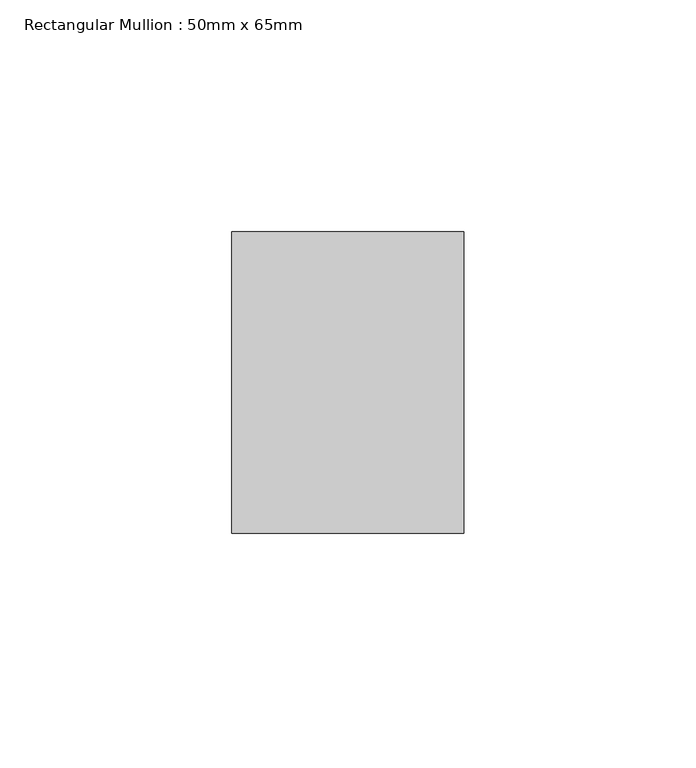
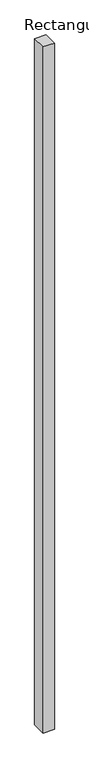
"""IFC4 building model written with IfcOpenShell, lengths in millimetres: member geometry, Rectangular Mullion : 50mm x 65mm."""

from ifc_helpers import new_model, si_unit, frame, origin, place, context, project, spatial, polyline, outline, extrude, source, transform, mapped, element, save


def rectangular_mullion_50mm_x_65mm_1898c6c2(model_context):
    return source(origin(), model_context, "Body", "SweptSolid", [
        extrude(outline(polyline([(25.0, 32.5), (25.0, -32.5), (-25.0, -32.5), (-25.0, 32.5), (25.0, 32.5)])), frame((0.0, 0.0, -3235.2668338), z_axis=(0.0, 0.0, 1.0), x_axis=(1.0, 0.0, 0.0)), (0.0, 0.0, 1.0), 3235.2668338),
    ])


if __name__ == "__main__":
    model = new_model("IFC4")
    model_context = context("Model", 3, world=origin())
    ifc_project = project(units=[si_unit("LENGTHUNIT", "METRE", prefix="MILLI")], contexts=[model_context])
    site = spatial("IfcSite", under=ifc_project)
    building = spatial("IfcBuilding", under=site)
    placement = place(None, origin())
    rectangular_mullion_50mm_x_65mm_shape = rectangular_mullion_50mm_x_65mm_1898c6c2(model_context)
    element("IfcMember", 1, ObjectType="Rectangular Mullion : 50mm x 65mm", at=placement, inside=building, context=model_context, shape_type="MappedRepresentation", body=[
        mapped(rectangular_mullion_50mm_x_65mm_shape, transform((0.0, 0.0, 0.0), x_axis=(1.0, 0.0, 0.0), y_axis=(0.0, 1.0, 0.0), z_axis=(0.0, 0.0, 1.0))),
    ])
    save(model, "model.ifc")
